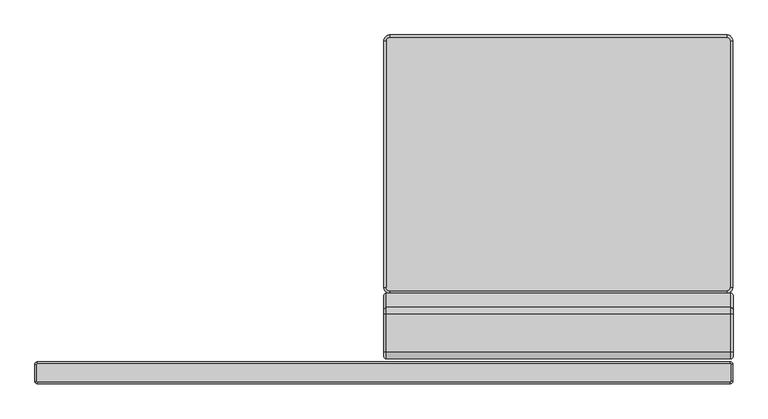
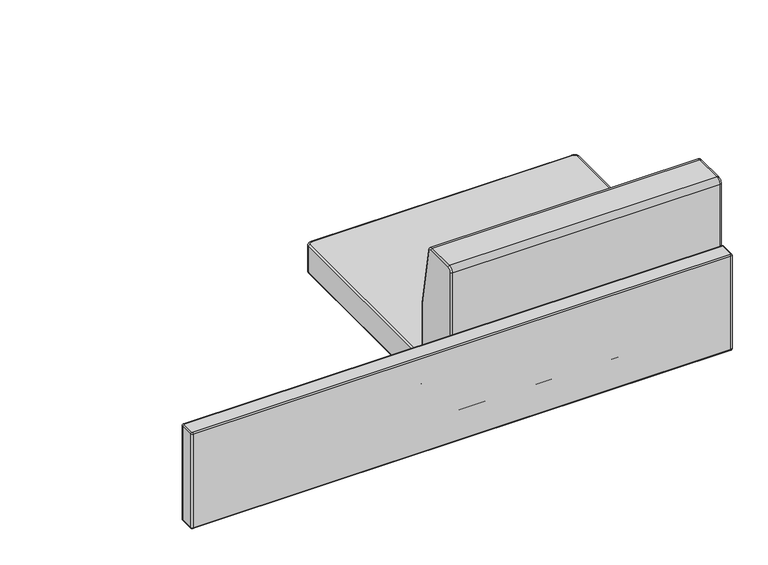
"""IFC4 building model written with IfcOpenShell, lengths in millimetres: furniture geometry."""

from ifc_helpers import new_model, si_unit, point, frame, origin, place, context, project, spatial, circle_curve, ellipse_curve, trimmed, source, transform, mapped, element, save
from ifc_brep_helpers import plane_surface, cylinder_surface, revolved_surface, advanced_brep


def furniture_f5d2f0f0(model_context):
    return source(origin(), model_context, "Body", "AdvancedBrep", [
        advanced_brep(
        [(707.2082858, -350.5314654, 584.1999879), (707.2082858, -316.23, 584.1999879), (706.1135784, -315.1352926, 584.1999879), (-706.1135784, -315.1352926, 584.1999879), (-707.2082858, -316.23, 584.1999879), (-707.2082858, -350.5314654, 584.1999879), (-706.1135784, -351.6261728, 584.1999879), (706.1135784, -351.6261728, 584.1999879), (706.1135784, -351.5474654, 317.4999879), (-706.1135784, -351.5474654, 317.4999879), (-707.1295784, -350.5314654, 317.4999879), (-707.1295784, -316.23, 317.4999879), (-706.1135784, -315.214, 317.4999879), (706.1135784, -315.214, 317.4999879), (707.1295784, -316.23, 317.4999879), (707.1295784, -350.5314654, 317.4999879), (711.1935784, -350.5314654, 321.5633339), (711.1935784, -350.5314654, 580.2146953), (706.1135784, -355.6114654, 580.2146953), (706.1135784, -355.6114654, 321.5633339), (711.1935784, -316.23, 321.5633339), (711.1935784, -316.23, 580.2146953), (706.1135784, -311.15, 321.5633339), (706.1135784, -311.15, 580.2146953), (-706.1135784, -311.15, 321.5633339), (-706.1135784, -311.15, 580.2146953), (-711.1935784, -316.23, 321.5633339), (-711.1935784, -316.23, 580.2146953), (-711.1935784, -350.5314654, 321.5633339), (-711.1935784, -350.5314654, 580.2146953), (-706.1135784, -355.6114654, 321.5633339), (-706.1135784, -355.6114654, 580.2146953)],
        [
            (0, 1),
            (1, 2, circle_curve(frame((706.1135784, -316.23, 584.1999879), z_axis=(0.0, 0.0, 1.0), x_axis=(1.0, 0.0, 0.0)), 1.0947074)),
            (2, 3),
            (3, 4, circle_curve(frame((-706.1135784, -316.23, 584.1999879), z_axis=(0.0, 0.0, 1.0), x_axis=(0.0, 1.0, 0.0)), 1.0947074)),
            (4, 5),
            (5, 6, circle_curve(frame((-706.1135784, -350.5314654, 584.1999879), z_axis=(0.0, 0.0, 1.0), x_axis=(-1.0, 0.0, 0.0)), 1.0947074)),
            (6, 7),
            (7, 0, circle_curve(frame((706.1135784, -350.5314654, 584.1999879), z_axis=(0.0, 0.0, 1.0), x_axis=(0.0, -1.0, 0.0)), 1.0947074)),
            (8, 9),
            (9, 10, circle_curve(frame((-706.1135784, -350.5314654, 317.4999879), z_axis=(0.0, 0.0, -1.0), x_axis=(-1.0, 0.0, 0.0)), 1.016)),
            (10, 11),
            (11, 12, circle_curve(frame((-706.1135784, -316.23, 317.4999879), z_axis=(0.0, 0.0, -1.0), x_axis=(0.0, 1.0, 0.0)), 1.016)),
            (12, 13),
            (13, 14, circle_curve(frame((706.1135784, -316.23, 317.4999879), z_axis=(0.0, 0.0, -1.0), x_axis=(1.0, 0.0, 0.0)), 1.016)),
            (14, 15),
            (15, 8, circle_curve(frame((706.1135784, -350.5314654, 317.4999879), z_axis=(0.0, 0.0, -1.0), x_axis=(0.0, -1.0, 0.0)), 1.016)),
            (16, 17),
            (17, 18, circle_curve(frame((706.1135784, -350.5314654, 580.2146953), z_axis=(0.0, 0.0, -1.0), x_axis=(0.0, -1.0, 0.0)), 5.08)),
            (18, 19),
            (19, 16, circle_curve(frame((706.1135784, -350.5314654, 321.5633339), z_axis=(0.0, 0.0, 1.0), x_axis=(0.0, -1.0, 0.0)), 5.08)),
            (19, 8, circle_curve(frame((706.1135784, -351.5474654, 321.5633339), z_axis=(1.0, 0.0, 0.0), x_axis=(0.0, -1.0, 0.0)), 4.064)),
            (15, 16, circle_curve(frame((707.1295784, -350.5314654, 321.5633339), z_axis=(0.0, -1.0, 0.0), x_axis=(1.0, 0.0, 0.0)), 4.064)),
            (17, 0, circle_curve(frame((707.2082858, -350.5314654, 580.2146953), z_axis=(0.0, -1.0, 0.0), x_axis=(1.0, 0.0, 0.0)), 3.9852926)),
            (7, 18, circle_curve(frame((706.1135784, -351.6261728, 580.2146953), z_axis=(1.0, 0.0, 0.0), x_axis=(0.0, -1.0, 0.0)), 3.9852926)),
            (16, 20),
            (20, 21),
            (21, 17),
            (14, 20, circle_curve(frame((707.1295784, -316.23, 321.5633339), z_axis=(0.0, -1.0, 0.0), x_axis=(1.0, 0.0, 0.0)), 4.064)),
            (21, 1, circle_curve(frame((707.2082858, -316.23, 580.2146953), z_axis=(0.0, -1.0, 0.0), x_axis=(1.0, 0.0, 0.0)), 3.9852926)),
            (20, 22, circle_curve(frame((706.1135784, -316.23, 321.5633339), z_axis=(0.0, 0.0, 1.0), x_axis=(1.0, 0.0, 0.0)), 5.08)),
            (22, 23),
            (23, 21, circle_curve(frame((706.1135784, -316.23, 580.2146953), z_axis=(0.0, 0.0, -1.0), x_axis=(1.0, 0.0, 0.0)), 5.08)),
            (13, 22, circle_curve(frame((706.1135784, -315.214, 321.5633339), z_axis=(1.0, 0.0, 0.0), x_axis=(0.0, 1.0, 0.0)), 4.064)),
            (23, 2, circle_curve(frame((706.1135784, -315.1352926, 580.2146953), z_axis=(1.0, 0.0, 0.0), x_axis=(0.0, 1.0, 0.0)), 3.9852926)),
            (22, 24),
            (24, 25),
            (25, 23),
            (12, 24, circle_curve(frame((-706.1135784, -315.214, 321.5633339), z_axis=(1.0, 0.0, 0.0), x_axis=(0.0, 1.0, 0.0)), 4.064)),
            (25, 3, circle_curve(frame((-706.1135784, -315.1352926, 580.2146953), z_axis=(1.0, 0.0, 0.0), x_axis=(0.0, 1.0, 0.0)), 3.9852926)),
            (24, 26, circle_curve(frame((-706.1135784, -316.23, 321.5633339), z_axis=(0.0, 0.0, 1.0), x_axis=(0.0, 1.0, 0.0)), 5.08)),
            (26, 27),
            (27, 25, circle_curve(frame((-706.1135784, -316.23, 580.2146953), z_axis=(0.0, 0.0, -1.0), x_axis=(0.0, 1.0, 0.0)), 5.08)),
            (11, 26, circle_curve(frame((-707.1295784, -316.23, 321.5633339), z_axis=(0.0, 1.0, 0.0), x_axis=(-1.0, 0.0, 0.0)), 4.064)),
            (27, 4, circle_curve(frame((-707.2082858, -316.23, 580.2146953), z_axis=(0.0, 1.0, 0.0), x_axis=(-1.0, 0.0, 0.0)), 3.9852926)),
            (26, 28),
            (28, 29),
            (29, 27),
            (10, 28, circle_curve(frame((-707.1295784, -350.5314654, 321.5633339), z_axis=(0.0, 1.0, 0.0), x_axis=(-1.0, 0.0, 0.0)), 4.064)),
            (29, 5, circle_curve(frame((-707.2082858, -350.5314654, 580.2146953), z_axis=(0.0, 1.0, 0.0), x_axis=(-1.0, 0.0, 0.0)), 3.9852926)),
            (28, 30, circle_curve(frame((-706.1135784, -350.5314654, 321.5633339), z_axis=(0.0, 0.0, 1.0), x_axis=(-1.0, 0.0, 0.0)), 5.08)),
            (30, 31),
            (31, 29, circle_curve(frame((-706.1135784, -350.5314654, 580.2146953), z_axis=(0.0, 0.0, -1.0), x_axis=(-1.0, 0.0, 0.0)), 5.08)),
            (9, 30, circle_curve(frame((-706.1135784, -351.5474654, 321.5633339), z_axis=(-1.0, 0.0, 0.0), x_axis=(0.0, -1.0, 0.0)), 4.064)),
            (31, 6, circle_curve(frame((-706.1135784, -351.6261728, 580.2146953), z_axis=(-1.0, 0.0, 0.0), x_axis=(0.0, -1.0, 0.0)), 3.9852926)),
            (18, 31),
            (30, 19),
        ],
        [
            plane_surface(frame((-706.1135784, -316.2087348, 584.1999879), z_axis=(0.0, 0.0, 1.0), x_axis=(1.0, 0.0, 0.0))),
            plane_surface(frame((-706.1135784, -316.2087348, 317.4999879), z_axis=(0.0, 0.0, -1.0), x_axis=(-1.0, 0.0, 0.0))),
            cylinder_surface(frame((706.1135784, -350.5314654, 0.0), z_axis=(0.0, 0.0, -1.0), x_axis=(0.0, -1.0, 0.0)), 5.08),
            revolved_surface(trimmed(ellipse_curve(frame((706.1135784, -351.5474654, 321.5633339), z_axis=(1.0, 0.0, 0.0), x_axis=(0.0, -1.0, 0.0)), 4.064, 4.064), [point((706.1135784, -355.6114654, 321.5633339))], [point((706.1135784, -351.5474654, 317.4993339))], True, "CARTESIAN"), (706.1135784, -350.5314654, 0.0), (0.0, 0.0, -1.0)),
            revolved_surface(trimmed(ellipse_curve(frame((706.1135784, -351.6261728, 580.2146953), z_axis=(1.0, 0.0, 0.0), x_axis=(0.0, -1.0, 0.0)), 3.9852926, 3.9852926), [point((706.1135784, -351.6261728, 584.1999879))], [point((706.1135784, -355.6114654, 580.2146953))], True, "CARTESIAN"), (706.1135784, -350.5314654, 0.0), (0.0, 0.0, -1.0)),
            plane_surface(frame((711.1935784, -350.5314654, 580.2146953), z_axis=(1.0, 0.0, 0.0), x_axis=(0.0, 1.0, 0.0))),
            cylinder_surface(frame((707.1295784, -350.5314654, 321.5633339), z_axis=(0.0, -1.0, 0.0), x_axis=(1.0, 0.0, 0.0)), 4.064),
            cylinder_surface(frame((707.2082858, -350.5314654, 580.2146953), z_axis=(0.0, -1.0, 0.0), x_axis=(1.0, 0.0, 0.0)), 3.9852926),
            cylinder_surface(frame((706.1135784, -316.23, 0.0), z_axis=(0.0, 0.0, -1.0), x_axis=(1.0, 0.0, 0.0)), 5.08),
            revolved_surface(trimmed(ellipse_curve(frame((707.1295784, -316.23, 321.5633339), z_axis=(0.0, 1.0, 0.0), x_axis=(1.0, 0.0, 0.0)), 4.064, 4.064), [point((711.1935784, -316.23, 321.5633339))], [point((707.1295784, -316.23, 317.4993339))], True, "CARTESIAN"), (706.1135784, -316.23, 0.0), (0.0, 0.0, -1.0)),
            revolved_surface(trimmed(ellipse_curve(frame((707.2082858, -316.23, 580.2146953), z_axis=(0.0, 1.0, 0.0), x_axis=(1.0, 0.0, 0.0)), 3.9852926, 3.9852926), [point((707.2082858, -316.23, 584.1999879))], [point((711.1935784, -316.23, 580.2146953))], True, "CARTESIAN"), (706.1135784, -316.23, 0.0), (0.0, 0.0, -1.0)),
            plane_surface(frame((706.1135784, -311.15, 580.2146953), z_axis=(0.0, 1.0, 0.0), x_axis=(-1.0, 0.0, 0.0))),
            cylinder_surface(frame((706.1135784, -315.214, 321.5633339), z_axis=(1.0, 0.0, 0.0), x_axis=(0.0, 1.0, 0.0)), 4.064),
            cylinder_surface(frame((706.1135784, -315.1352926, 580.2146953), z_axis=(1.0, 0.0, 0.0), x_axis=(0.0, 1.0, 0.0)), 3.9852926),
            cylinder_surface(frame((-706.1135784, -316.23, 0.0), z_axis=(0.0, 0.0, -1.0), x_axis=(0.0, 1.0, 0.0)), 5.08),
            revolved_surface(trimmed(ellipse_curve(frame((-706.1135784, -315.214, 321.5633339), z_axis=(-1.0, 0.0, 0.0), x_axis=(0.0, 1.0, 0.0)), 4.064, 4.064), [point((-706.1135784, -311.15, 321.5633339))], [point((-706.1135784, -315.214, 317.4993339))], True, "CARTESIAN"), (-706.1135784, -316.23, 0.0), (0.0, 0.0, -1.0)),
            revolved_surface(trimmed(ellipse_curve(frame((-706.1135784, -315.1352926, 580.2146953), z_axis=(-1.0, 0.0, 0.0), x_axis=(0.0, 1.0, 0.0)), 3.9852926, 3.9852926), [point((-706.1135784, -315.1352926, 584.1999879))], [point((-706.1135784, -311.15, 580.2146953))], True, "CARTESIAN"), (-706.1135784, -316.23, 0.0), (0.0, 0.0, -1.0)),
            plane_surface(frame((-711.1935784, -316.23, 580.2146953), z_axis=(-1.0, 0.0, 0.0), x_axis=(0.0, -1.0, 0.0))),
            cylinder_surface(frame((-707.1295784, -316.23, 321.5633339), z_axis=(0.0, 1.0, 0.0), x_axis=(-1.0, 0.0, 0.0)), 4.064),
            cylinder_surface(frame((-707.2082858, -316.23, 580.2146953), z_axis=(0.0, 1.0, 0.0), x_axis=(-1.0, 0.0, 0.0)), 3.9852926),
            cylinder_surface(frame((-706.1135784, -350.5314654, 0.0), z_axis=(0.0, 0.0, -1.0), x_axis=(-1.0, 0.0, 0.0)), 5.08),
            revolved_surface(trimmed(ellipse_curve(frame((-707.1295784, -350.5314654, 321.5633339), z_axis=(0.0, -1.0, 0.0), x_axis=(-1.0, 0.0, 0.0)), 4.064, 4.064), [point((-711.1935784, -350.5314654, 321.5633339))], [point((-707.1295784, -350.5314654, 317.4993339))], True, "CARTESIAN"), (-706.1135784, -350.5314654, 0.0), (0.0, 0.0, -1.0)),
            revolved_surface(trimmed(ellipse_curve(frame((-707.2082858, -350.5314654, 580.2146953), z_axis=(0.0, -1.0, 0.0), x_axis=(-1.0, 0.0, 0.0)), 3.9852926, 3.9852926), [point((-707.2082858, -350.5314654, 584.1999879))], [point((-711.1935784, -350.5314654, 580.2146953))], True, "CARTESIAN"), (-706.1135784, -350.5314654, 0.0), (0.0, 0.0, -1.0)),
            plane_surface(frame((-706.1135784, -355.6114654, 580.2146953), z_axis=(0.0, -1.0, 0.0), x_axis=(1.0, 0.0, 0.0))),
            cylinder_surface(frame((-706.1135784, -351.5474654, 321.5633339), z_axis=(-1.0, 0.0, 0.0), x_axis=(0.0, -1.0, 0.0)), 4.064),
            cylinder_surface(frame((-706.1135784, -351.6261728, 580.2146953), z_axis=(-1.0, 0.0, 0.0), x_axis=(0.0, -1.0, 0.0)), 3.9852926),
        ],
        [
            (0, [[1, 2, 3, 4, 5, 6, 7, 8]]),
            (1, [[9, 10, 11, 12, 13, 14, 15, 16]]),
            (2, [[17, 18, 19, 20]]),
            (3, [[21, -16, 22, -20]]),
            (4, [[23, -8, 24, -18]]),
            (5, [[25, 26, 27, -17]]),
            (6, [[-15, 28, -25, -22]]),
            (7, [[-27, 29, -1, -23]]),
            (8, [[30, 31, 32, -26]]),
            (9, [[-14, 33, -30, -28]]),
            (10, [[-32, 34, -2, -29]]),
            (11, [[35, 36, 37, -31]]),
            (12, [[-13, 38, -35, -33]]),
            (13, [[-37, 39, -3, -34]]),
            (14, [[40, 41, 42, -36]]),
            (15, [[-12, 43, -40, -38]]),
            (16, [[-42, 44, -4, -39]]),
            (17, [[45, 46, 47, -41]]),
            (18, [[-11, 48, -45, -43]]),
            (19, [[-47, 49, -5, -44]]),
            (20, [[50, 51, 52, -46]]),
            (21, [[-10, 53, -50, -48]]),
            (22, [[-52, 54, -6, -49]]),
            (23, [[55, -51, 56, -19]]),
            (24, [[-56, -53, -9, -21]]),
            (25, [[-7, -54, -55, -24]]),
        ],
    ),
        advanced_brep(
        [(707.1959976, -304.800436, 749.1899478), (711.8064569, -300.1899767, 749.1899478), (711.8064569, -292.100436, 757.2794885), (707.1959976, -292.100436, 761.8899478), (4.572, -292.100436, 761.8899478), (4.572, -304.800436, 749.1899478), (707.1959976, -304.800436, 368.2390955), (711.8064569, -300.1899767, 368.2390955), (4.572, -304.800436, 368.2390955), (707.1959976, -292.100436, 355.5390955), (711.8064569, -292.100436, 360.1495548), (4.572, -292.100436, 355.5390955), (707.1959976, -184.150436, 355.5390955), (711.8064569, -184.150436, 360.1495548), (4.572, -184.150436, 355.5390955), (707.1959976, -171.450436, 368.2390955), (711.8064569, -176.0608953, 368.2390955), (4.572, -171.450436, 368.2390955), (177.499966, -176.8088949, 357.8760952), (177.8011627, -178.0348284, 357.1085364), (178.1023595, -176.8088949, 357.8760952), (355.299966, -176.8088949, 357.8760952), (355.6011627, -178.0348284, 357.1085364), (355.9023595, -176.8088949, 357.8760952), (533.099966, -176.8088949, 357.8760952), (533.4011627, -178.0348284, 357.1085364), (533.7023595, -176.8088949, 357.8760952), (707.1959976, -171.450436, 587.3479845), (711.8064569, -176.0608953, 586.9446216), (4.572, -171.450436, 587.3479845), (707.1959976, -200.3764003, 751.3952797), (711.8064569, -204.9168164, 750.5946818), (4.572, -200.3764003, 751.3952797), (707.1959976, -212.8834587, 761.8899478), (711.8064569, -212.8834587, 757.2794885), (4.572, -212.8834587, 761.8899478), (0.0, -176.022436, 586.9479863), (0.0, -176.022436, 368.2390955), (0.0, -184.150436, 360.1110955), (0.0, -292.100436, 360.1110955), (0.0, -300.228436, 368.2390955), (0.0, -300.228436, 749.1899478), (0.0, -292.100436, 757.3179478), (0.0, -212.8834587, 757.3179478), (0.0, -204.8789413, 750.6013602), (177.8011627, -178.0348284, 357.8760952), (355.6011627, -178.0348284, 357.8760952), (533.4011627, -178.0348284, 357.8760952)],
        [
            (0, 1, circle_curve(frame((707.1959976, -300.1899767, 749.1899478), z_axis=(0.0, 0.0, 1.0), x_axis=(0.0, 1.0, 0.0)), 4.6104593)),
            (1, 2, circle_curve(frame((711.8064569, -292.100436, 749.1899478), z_axis=(-1.0, 0.0, 0.0), x_axis=(0.0, 0.0, 1.0)), 8.0895407)),
            (2, 3, circle_curve(frame((707.1959976, -292.100436, 757.2794885), z_axis=(0.0, -1.0, 0.0), x_axis=(0.0, 0.0, -1.0)), 4.6104593)),
            (3, 0, circle_curve(frame((707.1959976, -292.100436, 749.1899478), z_axis=(1.0, 0.0, 0.0), x_axis=(0.0, 0.0, 1.0)), 12.7)),
            (3, 4),
            (4, 5, circle_curve(frame((4.572, -292.100436, 749.1899478), z_axis=(1.0, 0.0, 0.0), x_axis=(0.0, 0.0, 1.0)), 12.7)),
            (5, 0),
            (0, 6),
            (6, 7, circle_curve(frame((707.1959976, -300.1899767, 368.2390955), z_axis=(0.0, 0.0, 1.0), x_axis=(0.0, 1.0, 0.0)), 4.6104593)),
            (7, 1),
            (5, 8),
            (8, 6),
            (6, 9, circle_curve(frame((707.1959976, -292.100436, 368.2390955), z_axis=(1.0, 0.0, 0.0), x_axis=(0.0, -1.0, 0.0)), 12.7)),
            (9, 10, circle_curve(frame((707.1959976, -292.100436, 360.1495548), z_axis=(0.0, -1.0, 0.0), x_axis=(0.0, 0.0, 1.0)), 4.6104593)),
            (10, 7, circle_curve(frame((711.8064569, -292.100436, 368.2390955), z_axis=(-1.0, 0.0, 0.0), x_axis=(0.0, -1.0, 0.0)), 8.0895407)),
            (8, 11, circle_curve(frame((4.572, -292.100436, 368.2390955), z_axis=(1.0, 0.0, 0.0), x_axis=(0.0, -1.0, 0.0)), 12.7)),
            (11, 9),
            (9, 12),
            (12, 13, circle_curve(frame((707.1959976, -184.150436, 360.1495548), z_axis=(0.0, -1.0, 0.0), x_axis=(0.0, 0.0, 1.0)), 4.6104593)),
            (13, 10),
            (11, 14),
            (14, 12),
            (12, 15, circle_curve(frame((707.1959976, -184.150436, 368.2390955), z_axis=(1.0, 0.0, 0.0), x_axis=(0.0, 0.0, -1.0)), 12.7)),
            (15, 16, circle_curve(frame((707.1959976, -176.0608953, 368.2390955), z_axis=(0.0, 0.0, -1.0), x_axis=(0.0, -1.0, 0.0)), 4.6104593)),
            (16, 13, circle_curve(frame((711.8064569, -184.150436, 368.2390955), z_axis=(-1.0, 0.0, 0.0), x_axis=(0.0, 0.0, -1.0)), 8.0895407)),
            (14, 17, circle_curve(frame((4.572, -184.150436, 368.2390955), z_axis=(1.0, 0.0, 0.0), x_axis=(0.0, 0.0, -1.0)), 12.7)),
            (17, 15),
            (18, 19, ellipse_curve(frame((179.3036922, -184.150436, 368.2390955), z_axis=(-0.971119853706666, -0.2385921828911077, 0.0), x_axis=(-0.23859218289110734, 0.971119853706666, 0.0)), 13.0776855, 12.7)),
            (19, 20, ellipse_curve(frame((176.2986333, -184.150436, 368.2390955), z_axis=(0.9711198537066588, -0.23859218289113715, 0.0), x_axis=(-0.2385921828911362, -0.9711198537066589, 0.0)), 13.0776855, 12.7)),
            (20, 18),
            (21, 22, ellipse_curve(frame((357.1036922, -184.150436, 368.2390955), z_axis=(-0.9711198537067129, -0.23859218289091608, 0.0), x_axis=(-0.23859218289091688, 0.9711198537067127, 0.0)), 13.0776855, 12.7)),
            (22, 23, ellipse_curve(frame((354.0986333, -184.150436, 368.2390955), z_axis=(0.971119853706677, -0.2385921828910632, 0.0), x_axis=(-0.23859218289106215, -0.9711198537066771, 0.0)), 13.0776855, 12.7)),
            (23, 21),
            (24, 25, ellipse_curve(frame((534.9036922, -184.150436, 368.2390955), z_axis=(-0.9711198537066816, -0.23859218289104386, 0.0), x_axis=(-0.23859218289104364, 0.9711198537066815, 0.0)), 13.0776855, 12.7)),
            (25, 26, ellipse_curve(frame((531.8986333, -184.150436, 368.2390955), z_axis=(0.9711198537066685, -0.23859218289109715, 0.0), x_axis=(-0.23859218289109663, -0.9711198537066686, 0.0)), 13.0776855, 12.7)),
            (26, 24),
            (15, 27),
            (27, 28, ellipse_curve(frame((707.1959976, -176.0608953, 586.9446216), z_axis=(0.0, 0.0871557427476564, -0.9961946980917458), x_axis=(0.0, -0.9961946980917458, -0.08715574274765407)), 4.6280705, 4.6104593)),
            (28, 16),
            (17, 29),
            (29, 27),
            (27, 30),
            (30, 31, circle_curve(frame((707.1959976, -204.9168164, 750.5946818), z_axis=(0.0, 0.1736481776669285, -0.9848077530122085), x_axis=(0.0, -0.9848077530122085, -0.1736481776669285)), 4.6104593)),
            (31, 28),
            (29, 32),
            (32, 30),
            (30, 33, circle_curve(frame((707.1959976, -212.8834587, 749.1899478), z_axis=(1.0, 0.0, 0.0), x_axis=(0.0, 0.9848077530122082, 0.17364817766692947)), 12.7)),
            (33, 34, circle_curve(frame((707.1959976, -212.8834587, 757.2794885), z_axis=(0.0, 1.0, 0.0), x_axis=(0.0, 0.0, -1.0)), 4.6104593)),
            (34, 31, circle_curve(frame((711.8064569, -212.8834587, 749.1899478), z_axis=(-1.0, 0.0, 0.0), x_axis=(0.0, 0.9848077530122082, 0.17364817766692947)), 8.0895407)),
            (32, 35, circle_curve(frame((4.572, -212.8834587, 749.1899478), z_axis=(1.0, 0.0, 0.0), x_axis=(0.0, 0.9848077530122082, 0.17364817766692947)), 12.7)),
            (35, 33),
            (34, 2),
            (33, 3),
            (35, 4),
            (36, 37),
            (37, 38, circle_curve(frame((0.0, -184.150436, 368.2390955), z_axis=(-1.0, 0.0, 0.0), x_axis=(0.0, 0.0, -1.0)), 8.128)),
            (38, 39),
            (39, 40, circle_curve(frame((0.0, -292.100436, 368.2390955), z_axis=(-1.0, 0.0, 0.0), x_axis=(0.0, -1.0, 0.0)), 8.128)),
            (40, 41),
            (41, 42, circle_curve(frame((0.0, -292.100436, 749.1899478), z_axis=(-1.0, 0.0, 0.0), x_axis=(0.0, 0.0, 1.0)), 8.128)),
            (42, 43),
            (43, 44, circle_curve(frame((0.0, -212.8834587, 749.1899478), z_axis=(-1.0, 0.0, 0.0), x_axis=(0.0, 0.9848077530122082, 0.17364817766692947)), 8.128)),
            (44, 36),
            (4, 42, circle_curve(frame((4.572, -292.100436, 757.3179478), z_axis=(0.0, -1.0, 0.0), x_axis=(0.0, 0.0, -1.0)), 4.572)),
            (41, 5, circle_curve(frame((4.572, -300.228436, 749.1899478), z_axis=(0.0, 0.0, 1.0), x_axis=(0.0, 1.0, 0.0)), 4.572)),
            (40, 8, circle_curve(frame((4.572, -300.228436, 368.2390955), z_axis=(0.0, 0.0, 1.0), x_axis=(0.0, 1.0, 0.0)), 4.572)),
            (39, 11, circle_curve(frame((4.572, -292.100436, 360.1110955), z_axis=(0.0, -1.0, 0.0), x_axis=(0.0, 0.0, 1.0)), 4.572)),
            (38, 14, circle_curve(frame((4.572, -184.150436, 360.1110955), z_axis=(0.0, -1.0, 0.0), x_axis=(0.0, 0.0, 1.0)), 4.572)),
            (37, 17, circle_curve(frame((4.572, -176.022436, 368.2390955), z_axis=(0.0, 0.0, -1.0), x_axis=(0.0, -1.0, 0.0)), 4.572)),
            (36, 29, ellipse_curve(frame((4.572, -176.022436, 586.9479863), z_axis=(0.0, 0.0871557427476564, -0.9961946980917458), x_axis=(0.0, -0.9961946980917458, -0.08715574274765407)), 4.5894643, 4.572)),
            (44, 32, circle_curve(frame((4.572, -204.8789413, 750.6013602), z_axis=(0.0, 0.1736481776669285, -0.9848077530122085), x_axis=(0.0, -0.9848077530122085, -0.1736481776669285)), 4.572)),
            (43, 35, circle_curve(frame((4.572, -212.8834587, 757.3179478), z_axis=(0.0, 1.0, 0.0), x_axis=(0.0, 0.0, -1.0)), 4.572)),
            (20, 45),
            (45, 18),
            (23, 46),
            (46, 21),
            (26, 47),
            (47, 24),
            (45, 19),
            (46, 22),
            (47, 25),
        ],
        [
            revolved_surface(trimmed(ellipse_curve(frame((707.1959976, -292.100436, 757.2794885), z_axis=(0.0, -1.0, 0.0), x_axis=(0.0, 0.0, -1.0)), 4.6104593, 4.6104593), [point((711.8064569, -292.100436, 757.2794885))], [point((707.1959976, -292.100436, 761.8899478))], True, "CARTESIAN"), (0.0, -292.100436, 749.1899478), (-1.0, 0.0, 0.0)),
            cylinder_surface(frame((0.0, -292.100436, 749.1899478), z_axis=(-1.0, 0.0, 0.0), x_axis=(0.0, 0.0, 1.0)), 12.7),
            cylinder_surface(frame((707.1959976, -300.1899767, 749.1899478), z_axis=(0.0, 0.0, 1.0), x_axis=(0.0, 1.0, 0.0)), 4.6104593),
            plane_surface(frame((707.1959976, -304.800436, 749.1899478), z_axis=(0.0, -1.0, 0.0), x_axis=(0.0, 0.0, -1.0))),
            revolved_surface(trimmed(ellipse_curve(frame((707.1959976, -300.1899767, 368.2390955), z_axis=(0.0, 0.0, -1.0), x_axis=(0.0, 1.0, 0.0)), 4.6104593, 4.6104593), [point((711.8064569, -300.1899767, 368.2390955))], [point((707.1959976, -304.800436, 368.2390955))], True, "CARTESIAN"), (0.0, -292.100436, 368.2390955), (-1.0, 0.0, 0.0)),
            cylinder_surface(frame((0.0, -292.100436, 368.2390955), z_axis=(-1.0, 0.0, 0.0), x_axis=(0.0, -1.0, 0.0)), 12.7),
            cylinder_surface(frame((707.1959976, -292.100436, 360.1495548), z_axis=(0.0, -1.0, 0.0), x_axis=(0.0, 0.0, 1.0)), 4.6104593),
            plane_surface(frame((707.1959976, -292.100436, 355.5390955), z_axis=(0.0, 0.0, -1.0), x_axis=(0.0, 1.0, 0.0))),
            revolved_surface(trimmed(ellipse_curve(frame((707.1959976, -184.150436, 360.1495548), z_axis=(0.0, 1.0, 0.0), x_axis=(0.0, 0.0, 1.0)), 4.6104593, 4.6104593), [point((711.8064569, -184.150436, 360.1495548))], [point((707.1959976, -184.150436, 355.5390955))], True, "CARTESIAN"), (0.0, -184.150436, 368.2390955), (-1.0, 0.0, 0.0)),
            cylinder_surface(frame((0.0, -184.150436, 368.2390955), z_axis=(-1.0, 0.0, 0.0), x_axis=(0.0, 0.0, -1.0)), 12.7),
            cylinder_surface(frame((707.1959976, -176.0608953, 368.2390955), z_axis=(0.0, 0.0, -1.0), x_axis=(0.0, -1.0, 0.0)), 4.6104593),
            plane_surface(frame((707.1959976, -171.450436, 368.2390955), z_axis=(0.0, 1.0, 0.0), x_axis=(0.0, 0.0, 1.0))),
            cylinder_surface(frame((707.1959976, -175.9908521, 586.5473866), z_axis=(0.0, 0.1736481776669285, -0.9848077530122085), x_axis=(0.0, -0.9848077530122085, -0.1736481776669285)), 4.6104593),
            plane_surface(frame((707.1959976, -171.450436, 587.3479845), z_axis=(0.0, 0.9848077530122084, 0.17364817766692872), x_axis=(0.0, -0.17364817766692872, 0.9848077530122084))),
            revolved_surface(trimmed(ellipse_curve(frame((707.1959976, -204.9168164, 750.5946818), z_axis=(0.0, -0.17364817766692928, 0.9848077530122082), x_axis=(0.0, -0.9848077530122082, -0.17364817766692928)), 4.6104593, 4.6104593), [point((711.8064569, -204.9168164, 750.5946818))], [point((707.1959976, -200.3764003, 751.3952797))], True, "CARTESIAN"), (0.0, -212.8834587, 749.1899478), (-1.0, 0.0, 0.0)),
            cylinder_surface(frame((0.0, -212.8834587, 749.1899478), z_axis=(-1.0, 0.0, 0.0), x_axis=(0.0, 0.9848077530122082, 0.17364817766692947)), 12.7),
            plane_surface(frame((711.8064569, -212.8834587, 754.6705296), z_axis=(1.0, 0.0, 0.0), x_axis=(0.0, -1.0, 0.0))),
            cylinder_surface(frame((707.1959976, -212.8834587, 757.2794885), z_axis=(0.0, 1.0, 0.0), x_axis=(0.0, 0.0, -1.0)), 4.6104593),
            plane_surface(frame((707.1959976, -212.8834587, 761.8899478), z_axis=(0.0, 0.0, 1.0), x_axis=(0.0, -1.0, 0.0))),
            plane_surface(frame((0.0, -212.8834587, 757.3179478), z_axis=(-1.0, 0.0, 0.0), x_axis=(0.0, -1.0, 0.0))),
            revolved_surface(trimmed(ellipse_curve(frame((4.572, -292.100436, 757.3179478), z_axis=(0.0, -1.0, 0.0), x_axis=(0.0, 0.0, -1.0)), 4.572, 4.572), [point((4.572, -292.100436, 761.8899478))], [point((0.0, -292.100436, 757.3179478))], True, "CARTESIAN"), (0.0, -292.100436, 749.1899478), (-1.0, 0.0, 0.0)),
            cylinder_surface(frame((4.572, -300.228436, 749.1899478), z_axis=(0.0, 0.0, 1.0), x_axis=(0.0, 1.0, 0.0)), 4.572),
            revolved_surface(trimmed(ellipse_curve(frame((4.572, -300.228436, 368.2390955), z_axis=(0.0, 0.0, -1.0), x_axis=(0.0, 1.0, 0.0)), 4.572, 4.572), [point((4.572, -304.800436, 368.2390955))], [point((0.0, -300.228436, 368.2390955))], True, "CARTESIAN"), (0.0, -292.100436, 368.2390955), (-1.0, 0.0, 0.0)),
            cylinder_surface(frame((4.572, -292.100436, 360.1110955), z_axis=(0.0, -1.0, 0.0), x_axis=(0.0, 0.0, 1.0)), 4.572),
            revolved_surface(trimmed(ellipse_curve(frame((4.572, -184.150436, 360.1110955), z_axis=(0.0, 1.0, 0.0), x_axis=(0.0, 0.0, 1.0)), 4.572, 4.572), [point((4.572, -184.150436, 355.5390955))], [point((0.0, -184.150436, 360.1110955))], True, "CARTESIAN"), (0.0, -184.150436, 368.2390955), (-1.0, 0.0, 0.0)),
            cylinder_surface(frame((4.572, -176.022436, 368.2390955), z_axis=(0.0, 0.0, -1.0), x_axis=(0.0, -1.0, 0.0)), 4.572),
            cylinder_surface(frame((4.572, -175.9529771, 586.554065), z_axis=(0.0, 0.1736481776669285, -0.9848077530122085), x_axis=(0.0, -0.9848077530122085, -0.1736481776669285)), 4.572),
            revolved_surface(trimmed(ellipse_curve(frame((4.572, -204.8789413, 750.6013602), z_axis=(0.0, -0.17364817766692928, 0.9848077530122082), x_axis=(0.0, -0.9848077530122082, -0.17364817766692928)), 4.572, 4.572), [point((4.572, -200.3764003, 751.3952797))], [point((0.0, -204.8789413, 750.6013602))], True, "CARTESIAN"), (0.0, -212.8834587, 749.1899478), (-1.0, 0.0, 0.0)),
            cylinder_surface(frame((4.572, -212.8834587, 757.3179478), z_axis=(0.0, 1.0, 0.0), x_axis=(0.0, 0.0, -1.0)), 4.572),
            plane_surface(frame((0.0, -177.9827141, 357.8760952), z_axis=(0.0, 0.0, -1.0), x_axis=(-1.0, 0.0, 0.0))),
            plane_surface(frame((176.9437051, -174.5447974, 25.4), z_axis=(0.971119853706666, 0.2385921828911077, 0.0), x_axis=(0.0, 0.0, 1.0))),
            plane_surface(frame((177.8011627, -178.0348284, 25.4), z_axis=(-0.9711198537066588, 0.23859218289113715, 0.0), x_axis=(0.0, 0.0, 1.0))),
            plane_surface(frame((354.7437051, -174.5447974, 25.4), z_axis=(0.9711198537067129, 0.23859218289091608, 0.0), x_axis=(0.0, 0.0, 1.0))),
            plane_surface(frame((355.6011627, -178.0348284, 25.4), z_axis=(-0.971119853706677, 0.2385921828910632, 0.0), x_axis=(0.0, 0.0, 1.0))),
            plane_surface(frame((532.5437051, -174.5447974, 25.4), z_axis=(0.9711198537066816, 0.23859218289104386, 0.0), x_axis=(0.0, 0.0, 1.0))),
            plane_surface(frame((533.4011627, -178.0348284, 25.4), z_axis=(-0.9711198537066685, 0.23859218289109715, 0.0), x_axis=(0.0, 0.0, 1.0))),
        ],
        [
            (0, [[1, 2, 3, 4]]),
            (1, [[5, 6, 7, -4]]),
            (2, [[8, 9, 10, -1]]),
            (3, [[11, 12, -8, -7]]),
            (4, [[13, 14, 15, -9]]),
            (5, [[16, 17, -13, -12]]),
            (6, [[18, 19, 20, -14]]),
            (7, [[21, 22, -18, -17]]),
            (8, [[23, 24, 25, -19]]),
            (9, [[26, 27, -23, -22], [28, 29, 30], [31, 32, 33], [34, 35, 36]]),
            (10, [[37, 38, 39, -24]]),
            (11, [[40, 41, -37, -27]]),
            (12, [[42, 43, 44, -38]]),
            (13, [[45, 46, -42, -41]]),
            (14, [[47, 48, 49, -43]]),
            (15, [[50, 51, -47, -46]]),
            (16, [[-10, -15, -20, -25, -39, -44, -49, 52, -2]]),
            (17, [[-52, -48, 53, -3]]),
            (18, [[-53, -51, 54, -5]]),
            (19, [[55, 56, 57, 58, 59, 60, 61, 62, 63]]),
            (20, [[64, -60, 65, -6]]),
            (21, [[-65, -59, 66, -11]]),
            (22, [[-66, -58, 67, -16]]),
            (23, [[-67, -57, 68, -21]]),
            (24, [[-68, -56, 69, -26]]),
            (25, [[-69, -55, 70, -40]]),
            (26, [[-70, -63, 71, -45]]),
            (27, [[-71, -62, 72, -50]]),
            (28, [[-72, -61, -64, -54]]),
            (29, [[-30, 73, 74]]),
            (29, [[-33, 75, 76]]),
            (29, [[-36, 77, 78]]),
            (30, [[79, -28, -74]]),
            (31, [[-29, -79, -73]]),
            (32, [[80, -31, -76]]),
            (33, [[-32, -80, -75]]),
            (34, [[81, -34, -78]]),
            (35, [[-35, -81, -77]]),
        ],
    ),
        advanced_brep(
        [(12.7, 355.1331438, 430.5469182), (698.5011385, 355.1331438, 430.5469182), (698.5011385, 355.1331438, 365.5390691), (698.5011385, 355.1331438, 359.9782461), (12.7, 355.1331438, 359.9782461), (12.7, 355.1331438, 365.5390691), (12.7, 350.5226845, 435.1573776), (698.5011385, 350.5226845, 435.1573776), (711.2011385, 342.4331438, 430.5469182), (711.2011385, -158.750436, 430.5469182), (711.2011385, -158.750436, 365.5390691), (711.2011385, -158.750436, 359.9782461), (711.2011385, 342.4331438, 359.9782461), (711.2011385, 342.4331438, 365.5390691), (706.5906792, 342.4331438, 435.1573776), (706.5906792, -158.750436, 435.1573776), (698.5011385, -171.450436, 430.5469182), (12.7, -171.450436, 430.5469182), (12.7, -171.450436, 365.5390691), (12.7, -171.450436, 359.9782461), (698.5011385, -171.450436, 359.9782461), (698.5011385, -171.450436, 365.5390691), (698.5011385, -166.8399767, 435.1573776), (12.7, -166.8399767, 435.1573776), (0.0, -158.750436, 430.5469182), (0.0, 342.4331438, 430.5469182), (0.0, 342.4331438, 365.5390691), (0.0, 342.4331438, 359.9782461), (0.0, -158.750436, 359.9782461), (0.0, -158.750436, 365.5390691), (4.6104593, -158.750436, 435.1573776), (4.6104593, 342.4331438, 435.1573776), (12.7, 350.5226845, 355.3677867), (4.6104593, 342.4331438, 355.3677867), (698.5011385, 350.5226845, 355.3677867), (706.5906792, 342.4331438, 355.3677867), (706.5906792, -158.750436, 355.3677867), (698.5011385, -166.8399767, 355.3677867), (12.7, -166.8399767, 355.3677867), (4.6104593, -158.750436, 355.3677867)],
        [
            (0, 1),
            (1, 2),
            (2, 3),
            (3, 4),
            (4, 5),
            (5, 0),
            (0, 6, circle_curve(frame((12.7, 350.5226845, 430.5469182), z_axis=(1.0, 0.0, 0.0), x_axis=(0.0, -1.0, 0.0)), 4.6104593)),
            (6, 7),
            (7, 1, circle_curve(frame((698.5011385, 350.5226845, 430.5469182), z_axis=(-1.0, 0.0, 0.0), x_axis=(0.0, -1.0, 0.0)), 4.6104593)),
            (8, 9),
            (9, 10),
            (10, 11),
            (11, 12),
            (12, 13),
            (13, 8),
            (8, 14, circle_curve(frame((706.5906792, 342.4331438, 430.5469182), z_axis=(0.0, -1.0, 0.0), x_axis=(-1.0, 0.0, 0.0)), 4.6104593)),
            (14, 15),
            (15, 9, circle_curve(frame((706.5906792, -158.750436, 430.5469182), z_axis=(0.0, 1.0, 0.0), x_axis=(-1.0, 0.0, 0.0)), 4.6104593)),
            (16, 17),
            (17, 18),
            (18, 19),
            (19, 20),
            (20, 21),
            (21, 16),
            (16, 22, circle_curve(frame((698.5011385, -166.8399767, 430.5469182), z_axis=(-1.0, 0.0, 0.0), x_axis=(0.0, 1.0, 0.0)), 4.6104593)),
            (22, 23),
            (23, 17, circle_curve(frame((12.7, -166.8399767, 430.5469182), z_axis=(1.0, 0.0, 0.0), x_axis=(0.0, 1.0, 0.0)), 4.6104593)),
            (24, 25),
            (25, 26),
            (26, 27),
            (27, 28),
            (28, 29),
            (29, 24),
            (24, 30, circle_curve(frame((4.6104593, -158.750436, 430.5469182), z_axis=(0.0, 1.0, 0.0), x_axis=(1.0, 0.0, 0.0)), 4.6104593)),
            (30, 31),
            (31, 25, circle_curve(frame((4.6104593, 342.4331438, 430.5469182), z_axis=(0.0, -1.0, 0.0), x_axis=(1.0, 0.0, 0.0)), 4.6104593)),
            (5, 26, circle_curve(frame((12.7, 342.4331438, 365.5390691), z_axis=(0.0, 0.0, 1.0), x_axis=(-1.0, 0.0, 0.0)), 12.7)),
            (25, 0, circle_curve(frame((12.7, 342.4331438, 430.5469182), z_axis=(0.0, 0.0, -1.0), x_axis=(-1.0, 0.0, 0.0)), 12.7)),
            (31, 6, circle_curve(frame((12.7, 342.4331438, 435.1573776), z_axis=(0.0, 0.0, -1.0), x_axis=(-1.0, 0.0, 0.0)), 8.0895407)),
            (1, 8, circle_curve(frame((698.5011385, 342.4331438, 430.5469182), z_axis=(0.0, 0.0, -1.0), x_axis=(0.0, 1.0, 0.0)), 12.7)),
            (13, 2, circle_curve(frame((698.5011385, 342.4331438, 365.5390691), z_axis=(0.0, 0.0, 1.0), x_axis=(0.0, 1.0, 0.0)), 12.7)),
            (7, 14, circle_curve(frame((698.5011385, 342.4331438, 435.1573776), z_axis=(0.0, 0.0, -1.0), x_axis=(0.0, 1.0, 0.0)), 8.0895407)),
            (9, 16, circle_curve(frame((698.5011385, -158.750436, 430.5469182), z_axis=(0.0, 0.0, -1.0), x_axis=(1.0, 0.0, 0.0)), 12.7)),
            (21, 10, circle_curve(frame((698.5011385, -158.750436, 365.5390691), z_axis=(0.0, 0.0, 1.0), x_axis=(1.0, 0.0, 0.0)), 12.7)),
            (15, 22, circle_curve(frame((698.5011385, -158.750436, 435.1573776), z_axis=(0.0, 0.0, -1.0), x_axis=(1.0, 0.0, 0.0)), 8.0895407)),
            (17, 24, circle_curve(frame((12.7, -158.750436, 430.5469182), z_axis=(0.0, 0.0, -1.0), x_axis=(0.0, -1.0, 0.0)), 12.7)),
            (29, 18, circle_curve(frame((12.7, -158.750436, 365.5390691), z_axis=(0.0, 0.0, 1.0), x_axis=(0.0, -1.0, 0.0)), 12.7)),
            (30, 23, circle_curve(frame((12.7, -158.750436, 435.1573776), z_axis=(0.0, 0.0, 1.0), x_axis=(0.0, -1.0, 0.0)), 8.0895407)),
            (4, 27, circle_curve(frame((12.7, 342.4331438, 359.9782461), z_axis=(0.0, 0.0, 1.0), x_axis=(-1.0, 0.0, 0.0)), 12.7)),
            (4, 32, circle_curve(frame((12.7, 350.5226845, 359.9782461), z_axis=(-1.0, 0.0, 0.0), x_axis=(0.0, -1.0, 0.0)), 4.6104593)),
            (32, 33, circle_curve(frame((12.7, 342.4331438, 355.3677867), z_axis=(0.0, 0.0, 1.0), x_axis=(-1.0, 0.0, 0.0)), 8.0895407)),
            (33, 27, circle_curve(frame((4.6104593, 342.4331438, 359.9782461), z_axis=(0.0, 1.0, 0.0), x_axis=(1.0, 0.0, 0.0)), 4.6104593)),
            (3, 34, circle_curve(frame((698.5011385, 350.5226845, 359.9782461), z_axis=(-1.0, 0.0, 0.0), x_axis=(0.0, -1.0, 0.0)), 4.6104593)),
            (34, 32),
            (12, 3, circle_curve(frame((698.5011385, 342.4331438, 359.9782461), z_axis=(0.0, 0.0, 1.0), x_axis=(0.0, 1.0, 0.0)), 12.7)),
            (12, 35, circle_curve(frame((706.5906792, 342.4331438, 359.9782461), z_axis=(0.0, 1.0, 0.0), x_axis=(-1.0, 0.0, 0.0)), 4.6104593)),
            (35, 34, circle_curve(frame((698.5011385, 342.4331438, 355.3677867), z_axis=(0.0, 0.0, 1.0), x_axis=(0.0, 1.0, 0.0)), 8.0895407)),
            (11, 36, circle_curve(frame((706.5906792, -158.750436, 359.9782461), z_axis=(0.0, 1.0, 0.0), x_axis=(-1.0, 0.0, 0.0)), 4.6104593)),
            (36, 35),
            (20, 11, circle_curve(frame((698.5011385, -158.750436, 359.9782461), z_axis=(0.0, 0.0, 1.0), x_axis=(1.0, 0.0, 0.0)), 12.7)),
            (20, 37, circle_curve(frame((698.5011385, -166.8399767, 359.9782461), z_axis=(1.0, 0.0, 0.0), x_axis=(0.0, 1.0, 0.0)), 4.6104593)),
            (37, 36, circle_curve(frame((698.5011385, -158.750436, 355.3677867), z_axis=(0.0, 0.0, 1.0), x_axis=(1.0, 0.0, 0.0)), 8.0895407)),
            (19, 38, circle_curve(frame((12.7, -166.8399767, 359.9782461), z_axis=(1.0, 0.0, 0.0), x_axis=(0.0, 1.0, 0.0)), 4.6104593)),
            (38, 37),
            (28, 19, circle_curve(frame((12.7, -158.750436, 359.9782461), z_axis=(0.0, 0.0, 1.0), x_axis=(0.0, -1.0, 0.0)), 12.7)),
            (28, 39, circle_curve(frame((4.6104593, -158.750436, 359.9782461), z_axis=(0.0, -1.0, 0.0), x_axis=(1.0, 0.0, 0.0)), 4.6104593)),
            (39, 38, circle_curve(frame((12.7, -158.750436, 355.3677867), z_axis=(0.0, 0.0, 1.0), x_axis=(0.0, -1.0, 0.0)), 8.0895407)),
            (33, 39),
        ],
        [
            plane_surface(frame((12.7, 355.1331438, 365.5390691), z_axis=(0.0, 1.0, 0.0), x_axis=(1.0, 0.0, 0.0))),
            cylinder_surface(frame((12.7, 350.5226845, 430.5469182), z_axis=(-1.0, 0.0, 0.0), x_axis=(0.0, -1.0, 0.0)), 4.6104593),
            plane_surface(frame((711.2011385, 342.4331438, 365.5390691), z_axis=(1.0, 0.0, 0.0), x_axis=(0.0, -1.0, 0.0))),
            cylinder_surface(frame((706.5906792, 342.4331438, 430.5469182), z_axis=(0.0, 1.0, 0.0), x_axis=(-1.0, 0.0, 0.0)), 4.6104593),
            plane_surface(frame((698.5011385, -171.450436, 365.5390691), z_axis=(0.0, -1.0, 0.0), x_axis=(-1.0, 0.0, 0.0))),
            cylinder_surface(frame((698.5011385, -166.8399767, 430.5469182), z_axis=(1.0, 0.0, 0.0), x_axis=(0.0, 1.0, 0.0)), 4.6104593),
            plane_surface(frame((0.0, -158.750436, 365.5390691), z_axis=(-1.0, 0.0, 0.0), x_axis=(0.0, 1.0, 0.0))),
            cylinder_surface(frame((4.6104593, -158.750436, 430.5469182), z_axis=(0.0, -1.0, 0.0), x_axis=(1.0, 0.0, 0.0)), 4.6104593),
            cylinder_surface(frame((12.7, 342.4331438, 0.0), z_axis=(0.0, 0.0, 1.0), x_axis=(-1.0, 0.0, 0.0)), 12.7),
            revolved_surface(trimmed(ellipse_curve(frame((4.6104593, 342.4331438, 430.5469182), z_axis=(0.0, 1.0, 0.0), x_axis=(1.0, 0.0, 0.0)), 4.6104593, 4.6104593), [point((0.0, 342.4331438, 430.5469182))], [point((4.6104593, 342.4331438, 435.1573776))], True, "CARTESIAN"), (12.7, 342.4331438, 0.0), (0.0, 0.0, 1.0)),
            cylinder_surface(frame((698.5011385, 342.4331438, 0.0), z_axis=(0.0, 0.0, 1.0), x_axis=(0.0, 1.0, 0.0)), 12.7),
            revolved_surface(trimmed(ellipse_curve(frame((698.5011385, 350.5226845, 430.5469182), z_axis=(1.0, 0.0, 0.0), x_axis=(0.0, -1.0, 0.0)), 4.6104593, 4.6104593), [point((698.5011385, 355.1331438, 430.5469182))], [point((698.5011385, 350.5226845, 435.1573776))], True, "CARTESIAN"), (698.5011385, 342.4331438, 0.0), (0.0, 0.0, 1.0)),
            cylinder_surface(frame((698.5011385, -158.750436, 0.0), z_axis=(0.0, 0.0, 1.0), x_axis=(1.0, 0.0, 0.0)), 12.7),
            revolved_surface(trimmed(ellipse_curve(frame((706.5906792, -158.750436, 430.5469182), z_axis=(0.0, -1.0, 0.0), x_axis=(-1.0, 0.0, 0.0)), 4.6104593, 4.6104593), [point((711.2011385, -158.750436, 430.5469182))], [point((706.5906792, -158.750436, 435.1573776))], True, "CARTESIAN"), (698.5011385, -158.750436, 0.0), (0.0, 0.0, 1.0)),
            cylinder_surface(frame((12.7, -158.750436, 0.0), z_axis=(0.0, 0.0, 1.0), x_axis=(0.0, -1.0, 0.0)), 12.7),
            plane_surface(frame((12.7, -158.750436, 435.1573776), z_axis=(0.0, 0.0, 1.0), x_axis=(0.0, -1.0, 0.0))),
            revolved_surface(trimmed(ellipse_curve(frame((12.7, -166.8399767, 430.5469182), z_axis=(-1.0, 0.0, 0.0), x_axis=(0.0, 1.0, 0.0)), 4.6104593, 4.6104593), [point((12.7, -171.450436, 430.5469182))], [point((12.7, -166.8399767, 435.1573776))], True, "CARTESIAN"), (12.7, -158.750436, 0.0), (0.0, 0.0, 1.0)),
            revolved_surface(trimmed(ellipse_curve(frame((4.6104593, 342.4331438, 359.9782461), z_axis=(0.0, 1.0, 0.0), x_axis=(1.0, 0.0, 0.0)), 4.6104593, 4.6104593), [point((4.6104593, 342.4331438, 355.3677867))], [point((0.0, 342.4331438, 359.9782461))], True, "CARTESIAN"), (12.7, 342.4331438, 0.0), (0.0, 0.0, 1.0)),
            cylinder_surface(frame((12.7, 350.5226845, 359.9782461), z_axis=(-1.0, 0.0, 0.0), x_axis=(0.0, -1.0, 0.0)), 4.6104593),
            revolved_surface(trimmed(ellipse_curve(frame((698.5011385, 350.5226845, 359.9782461), z_axis=(1.0, 0.0, 0.0), x_axis=(0.0, -1.0, 0.0)), 4.6104593, 4.6104593), [point((698.5011385, 350.5226845, 355.3677867))], [point((698.5011385, 355.1331438, 359.9782461))], True, "CARTESIAN"), (698.5011385, 342.4331438, 0.0), (0.0, 0.0, 1.0)),
            cylinder_surface(frame((706.5906792, 342.4331438, 359.9782461), z_axis=(0.0, 1.0, 0.0), x_axis=(-1.0, 0.0, 0.0)), 4.6104593),
            revolved_surface(trimmed(ellipse_curve(frame((706.5906792, -158.750436, 359.9782461), z_axis=(0.0, -1.0, 0.0), x_axis=(-1.0, 0.0, 0.0)), 4.6104593, 4.6104593), [point((706.5906792, -158.750436, 355.3677867))], [point((711.2011385, -158.750436, 359.9782461))], True, "CARTESIAN"), (698.5011385, -158.750436, 0.0), (0.0, 0.0, 1.0)),
            cylinder_surface(frame((698.5011385, -166.8399767, 359.9782461), z_axis=(1.0, 0.0, 0.0), x_axis=(0.0, 1.0, 0.0)), 4.6104593),
            revolved_surface(trimmed(ellipse_curve(frame((12.7, -166.8399767, 359.9782461), z_axis=(-1.0, 0.0, 0.0), x_axis=(0.0, 1.0, 0.0)), 4.6104593, 4.6104593), [point((12.7, -166.8399767, 355.3677867))], [point((12.7, -171.450436, 359.9782461))], True, "CARTESIAN"), (12.7, -158.750436, 0.0), (0.0, 0.0, 1.0)),
            cylinder_surface(frame((4.6104593, -158.750436, 359.9782461), z_axis=(0.0, -1.0, 0.0), x_axis=(1.0, 0.0, 0.0)), 4.6104593),
            plane_surface(frame((7.2194182, -158.750436, 355.3677867), z_axis=(0.0, 0.0, -1.0), x_axis=(0.0, 1.0, 0.0))),
        ],
        [
            (0, [[1, 2, 3, 4, 5, 6]]),
            (1, [[7, 8, 9, -1]]),
            (2, [[10, 11, 12, 13, 14, 15]]),
            (3, [[16, 17, 18, -10]]),
            (4, [[19, 20, 21, 22, 23, 24]]),
            (5, [[25, 26, 27, -19]]),
            (6, [[28, 29, 30, 31, 32, 33]]),
            (7, [[34, 35, 36, -28]]),
            (8, [[37, -29, 38, -6]]),
            (9, [[-38, -36, 39, -7]]),
            (10, [[40, -15, 41, -2]]),
            (11, [[42, -16, -40, -9]]),
            (12, [[43, -24, 44, -11]]),
            (13, [[45, -25, -43, -18]]),
            (14, [[46, -33, 47, -20]]),
            (15, [[-39, -35, 48, -26, -45, -17, -42, -8]]),
            (16, [[-48, -34, -46, -27]]),
            (8, [[49, -30, -37, -5]]),
            (17, [[50, 51, 52, -49]]),
            (18, [[53, 54, -50, -4]]),
            (10, [[-41, -14, 55, -3]]),
            (19, [[-55, 56, 57, -53]]),
            (20, [[58, 59, -56, -13]]),
            (12, [[-44, -23, 60, -12]]),
            (21, [[-60, 61, 62, -58]]),
            (22, [[63, 64, -61, -22]]),
            (14, [[-47, -32, 65, -21]]),
            (23, [[-65, 66, 67, -63]]),
            (24, [[-52, 68, -66, -31]]),
            (25, [[-54, -57, -59, -62, -64, -67, -68, -51]]),
        ],
    ),
    ])


if __name__ == "__main__":
    model = new_model("IFC4")
    model_context = context("Model", 3, world=origin())
    ifc_project = project(units=[si_unit("LENGTHUNIT", "METRE", prefix="MILLI")], contexts=[model_context])
    site = spatial("IfcSite", under=ifc_project)
    building = spatial("IfcBuilding", under=site)
    placement = place(None, origin())
    furniture_shape = furniture_f5d2f0f0(model_context)
    element("IfcFurniture", 1, at=placement, inside=building, context=model_context, shape_type="MappedRepresentation", body=[
        mapped(furniture_shape, transform((0.0, 0.0, 0.0), x_axis=(1.0, 0.0, 0.0), y_axis=(0.0, 1.0, 0.0), z_axis=(0.0, 0.0, 1.0))),
    ])
    save(model, "model.ifc")
